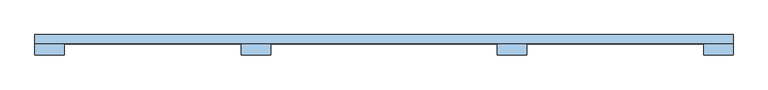
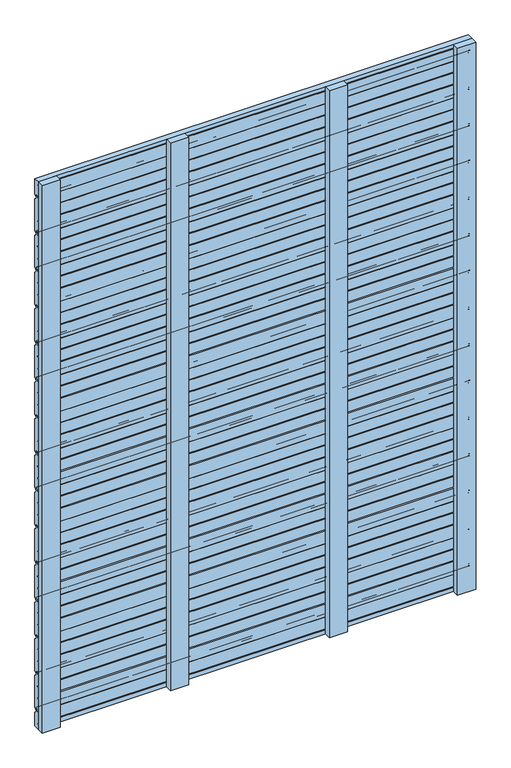
"""IFC4 building model written with IfcOpenShell, lengths in millimetres: window geometry."""

from ifc_helpers import new_model, si_unit, point, frame, frame_2d, origin, place, context, project, spatial, polyline, circle_curve, trimmed, segment, composite_curve, outline, extrude, source, transform, mapped, element, save


def window_6309e335(model_context):
    return source(origin(), model_context, "Body", "SweptSolid", [
        extrude(outline(composite_curve([segment(trimmed(circle_curve(frame_2d((129.5, 164.0)), 1.0), [point((130.5, 164.0))], [point((129.5, 163.0))], False, "CARTESIAN"), True, "CONTINUOUS"), segment(polyline([(129.5, 163.0), (124.0, 163.0), (124.0, 210.0), (130.5, 210.0), (130.5, 213.5), (124.5, 213.5), (124.5, 253.5), (130.5, 253.5), (130.5, 257.0), (124.0, 257.0), (124.0, 296.0), (130.5, 296.0), (130.5, 301.5)]), True, "CONTINUOUS"), segment(trimmed(circle_curve(frame_2d((132.0, 301.5)), 1.5), [point((130.5, 301.5))], [point((132.0, 303.0))], False, "CARTESIAN"), True, "CONTINUOUS"), segment(polyline([(132.0, 303.0), (135.5, 303.0)]), True, "CONTINUOUS"), segment(trimmed(circle_curve(frame_2d((135.5, 301.5)), 1.5), [point((135.5, 303.0))], [point((137.0, 301.5))], False, "CARTESIAN"), True, "CONTINUOUS"), segment(polyline([(137.0, 301.5), (137.0, 291.4142136)]), True, "CONTINUOUS"), segment(trimmed(circle_curve(frame_2d((138.0, 291.4142136)), 1.0), [point((137.0, 291.4142136))], [point((137.2928932, 290.7071068))], True, "CARTESIAN"), True, "CONTINUOUS"), segment(polyline([(137.2928932, 290.7071068), (143.5606602, 284.4393398)]), True, "CONTINUOUS"), segment(trimmed(circle_curve(frame_2d((142.5, 283.3786797)), 1.5), [point((143.5606602, 284.4393398))], [point((144.0, 283.3786797))], False, "CARTESIAN"), True, "CONTINUOUS"), segment(polyline([(144.0, 283.3786797), (144.0, 169.2071068)]), True, "CONTINUOUS"), segment(trimmed(circle_curve(frame_2d((142.5, 169.2071068)), 1.5), [point((144.0, 169.2071068))], [point((143.5606602, 168.1464466))], False, "CARTESIAN"), True, "CONTINUOUS"), segment(polyline([(143.5606602, 168.1464466), (138.7071068, 163.2928932)]), True, "CONTINUOUS"), segment(trimmed(circle_curve(frame_2d((138.0, 164.0)), 1.0), [point((138.7071068, 163.2928932))], [point((137.0, 164.0))], False, "CARTESIAN"), True, "CONTINUOUS"), segment(polyline([(137.0, 164.0), (137.0, 170.5)]), True, "CONTINUOUS"), segment(trimmed(circle_curve(frame_2d((135.5, 170.5)), 1.5), [point((137.0, 170.5))], [point((135.5, 172.0))], True, "CARTESIAN"), True, "CONTINUOUS"), segment(polyline([(135.5, 172.0), (132.0, 172.0)]), True, "CONTINUOUS"), segment(trimmed(circle_curve(frame_2d((132.0, 170.5)), 1.5), [point((132.0, 172.0))], [point((130.5, 170.5))], True, "CARTESIAN"), True, "CONTINUOUS"), segment(polyline([(130.5, 170.5), (130.5, 164.0)]), True, "CONTINUOUS")], self_intersect=False)), frame((-750.0, 0.0, 0.0), z_axis=(1.0, 0.0, 0.0), x_axis=(0.0, 1.0, 0.0)), (0.0, 0.0, 1.0), 1500.0),
        extrude(outline(composite_curve([segment(trimmed(circle_curve(frame_2d((129.5, 298.0)), 1.0), [point((130.5, 298.0))], [point((129.5, 297.0))], False, "CARTESIAN"), True, "CONTINUOUS"), segment(polyline([(129.5, 297.0), (124.0, 297.0), (124.0, 344.0), (130.5, 344.0), (130.5, 347.5), (124.5, 347.5), (124.5, 387.5), (130.5, 387.5), (130.5, 391.0), (124.0, 391.0), (124.0, 430.0), (130.5, 430.0), (130.5, 435.5)]), True, "CONTINUOUS"), segment(trimmed(circle_curve(frame_2d((132.0, 435.5)), 1.5), [point((130.5, 435.5))], [point((132.0, 437.0))], False, "CARTESIAN"), True, "CONTINUOUS"), segment(polyline([(132.0, 437.0), (135.5, 437.0)]), True, "CONTINUOUS"), segment(trimmed(circle_curve(frame_2d((135.5, 435.5)), 1.5), [point((135.5, 437.0))], [point((137.0, 435.5))], False, "CARTESIAN"), True, "CONTINUOUS"), segment(polyline([(137.0, 435.5), (137.0, 425.4142136)]), True, "CONTINUOUS"), segment(trimmed(circle_curve(frame_2d((138.0, 425.4142136)), 1.0), [point((137.0, 425.4142136))], [point((137.2928932, 424.7071068))], True, "CARTESIAN"), True, "CONTINUOUS"), segment(polyline([(137.2928932, 424.7071068), (143.5606602, 418.4393398)]), True, "CONTINUOUS"), segment(trimmed(circle_curve(frame_2d((142.5, 417.3786797)), 1.5), [point((143.5606602, 418.4393398))], [point((144.0, 417.3786797))], False, "CARTESIAN"), True, "CONTINUOUS"), segment(polyline([(144.0, 417.3786797), (144.0, 303.2071068)]), True, "CONTINUOUS"), segment(trimmed(circle_curve(frame_2d((142.5, 303.2071068)), 1.5), [point((144.0, 303.2071068))], [point((143.5606602, 302.1464466))], False, "CARTESIAN"), True, "CONTINUOUS"), segment(polyline([(143.5606602, 302.1464466), (138.7071068, 297.2928932)]), True, "CONTINUOUS"), segment(trimmed(circle_curve(frame_2d((138.0, 298.0)), 1.0), [point((138.7071068, 297.2928932))], [point((137.0, 298.0))], False, "CARTESIAN"), True, "CONTINUOUS"), segment(polyline([(137.0, 298.0), (137.0, 304.5)]), True, "CONTINUOUS"), segment(trimmed(circle_curve(frame_2d((135.5, 304.5)), 1.5), [point((137.0, 304.5))], [point((135.5, 306.0))], True, "CARTESIAN"), True, "CONTINUOUS"), segment(polyline([(135.5, 306.0), (132.0, 306.0)]), True, "CONTINUOUS"), segment(trimmed(circle_curve(frame_2d((132.0, 304.5)), 1.5), [point((132.0, 306.0))], [point((130.5, 304.5))], True, "CARTESIAN"), True, "CONTINUOUS"), segment(polyline([(130.5, 304.5), (130.5, 298.0)]), True, "CONTINUOUS")], self_intersect=False)), frame((-750.0, 0.0, 0.0), z_axis=(1.0, 0.0, 0.0), x_axis=(0.0, 1.0, 0.0)), (0.0, 0.0, 1.0), 1500.0),
        extrude(outline(composite_curve([segment(trimmed(circle_curve(frame_2d((129.5, 432.0)), 1.0), [point((130.5, 432.0))], [point((129.5, 431.0))], False, "CARTESIAN"), True, "CONTINUOUS"), segment(polyline([(129.5, 431.0), (124.0, 431.0), (124.0, 478.0), (130.5, 478.0), (130.5, 481.5), (124.5, 481.5), (124.5, 521.5), (130.5, 521.5), (130.5, 525.0), (124.0, 525.0), (124.0, 564.0), (130.5, 564.0), (130.5, 569.5)]), True, "CONTINUOUS"), segment(trimmed(circle_curve(frame_2d((132.0, 569.5)), 1.5), [point((130.5, 569.5))], [point((132.0, 571.0))], False, "CARTESIAN"), True, "CONTINUOUS"), segment(polyline([(132.0, 571.0), (135.5, 571.0)]), True, "CONTINUOUS"), segment(trimmed(circle_curve(frame_2d((135.5, 569.5)), 1.5), [point((135.5, 571.0))], [point((137.0, 569.5))], False, "CARTESIAN"), True, "CONTINUOUS"), segment(polyline([(137.0, 569.5), (137.0, 559.4142136)]), True, "CONTINUOUS"), segment(trimmed(circle_curve(frame_2d((138.0, 559.4142136)), 1.0), [point((137.0, 559.4142136))], [point((137.2928932, 558.7071068))], True, "CARTESIAN"), True, "CONTINUOUS"), segment(polyline([(137.2928932, 558.7071068), (143.5606602, 552.4393398)]), True, "CONTINUOUS"), segment(trimmed(circle_curve(frame_2d((142.5, 551.3786797)), 1.5), [point((143.5606602, 552.4393398))], [point((144.0, 551.3786797))], False, "CARTESIAN"), True, "CONTINUOUS"), segment(polyline([(144.0, 551.3786797), (144.0, 437.2071068)]), True, "CONTINUOUS"), segment(trimmed(circle_curve(frame_2d((142.5, 437.2071068)), 1.5), [point((144.0, 437.2071068))], [point((143.5606602, 436.1464466))], False, "CARTESIAN"), True, "CONTINUOUS"), segment(polyline([(143.5606602, 436.1464466), (138.7071068, 431.2928932)]), True, "CONTINUOUS"), segment(trimmed(circle_curve(frame_2d((138.0, 432.0)), 1.0), [point((138.7071068, 431.2928932))], [point((137.0, 432.0))], False, "CARTESIAN"), True, "CONTINUOUS"), segment(polyline([(137.0, 432.0), (137.0, 438.5)]), True, "CONTINUOUS"), segment(trimmed(circle_curve(frame_2d((135.5, 438.5)), 1.5), [point((137.0, 438.5))], [point((135.5, 440.0))], True, "CARTESIAN"), True, "CONTINUOUS"), segment(polyline([(135.5, 440.0), (132.0, 440.0)]), True, "CONTINUOUS"), segment(trimmed(circle_curve(frame_2d((132.0, 438.5)), 1.5), [point((132.0, 440.0))], [point((130.5, 438.5))], True, "CARTESIAN"), True, "CONTINUOUS"), segment(polyline([(130.5, 438.5), (130.5, 432.0)]), True, "CONTINUOUS")], self_intersect=False)), frame((-750.0, 0.0, 0.0), z_axis=(1.0, 0.0, 0.0), x_axis=(0.0, 1.0, 0.0)), (0.0, 0.0, 1.0), 1500.0),
        extrude(outline(composite_curve([segment(trimmed(circle_curve(frame_2d((129.5, 566.0)), 1.0), [point((130.5, 566.0))], [point((129.5, 565.0))], False, "CARTESIAN"), True, "CONTINUOUS"), segment(polyline([(129.5, 565.0), (124.0, 565.0), (124.0, 612.0), (130.5, 612.0), (130.5, 615.5), (124.5, 615.5), (124.5, 655.5), (130.5, 655.5), (130.5, 659.0), (124.0, 659.0), (124.0, 698.0), (130.5, 698.0), (130.5, 703.5)]), True, "CONTINUOUS"), segment(trimmed(circle_curve(frame_2d((132.0, 703.5)), 1.5), [point((130.5, 703.5))], [point((132.0, 705.0))], False, "CARTESIAN"), True, "CONTINUOUS"), segment(polyline([(132.0, 705.0), (135.5, 705.0)]), True, "CONTINUOUS"), segment(trimmed(circle_curve(frame_2d((135.5, 703.5)), 1.5), [point((135.5, 705.0))], [point((137.0, 703.5))], False, "CARTESIAN"), True, "CONTINUOUS"), segment(polyline([(137.0, 703.5), (137.0, 693.4142136)]), True, "CONTINUOUS"), segment(trimmed(circle_curve(frame_2d((138.0, 693.4142136)), 1.0), [point((137.0, 693.4142136))], [point((137.2928932, 692.7071068))], True, "CARTESIAN"), True, "CONTINUOUS"), segment(polyline([(137.2928932, 692.7071068), (143.5606602, 686.4393398)]), True, "CONTINUOUS"), segment(trimmed(circle_curve(frame_2d((142.5, 685.3786797)), 1.5), [point((143.5606602, 686.4393398))], [point((144.0, 685.3786797))], False, "CARTESIAN"), True, "CONTINUOUS"), segment(polyline([(144.0, 685.3786797), (144.0, 571.2071068)]), True, "CONTINUOUS"), segment(trimmed(circle_curve(frame_2d((142.5, 571.2071068)), 1.5), [point((144.0, 571.2071068))], [point((143.5606602, 570.1464466))], False, "CARTESIAN"), True, "CONTINUOUS"), segment(polyline([(143.5606602, 570.1464466), (138.7071068, 565.2928932)]), True, "CONTINUOUS"), segment(trimmed(circle_curve(frame_2d((138.0, 566.0)), 1.0), [point((138.7071068, 565.2928932))], [point((137.0, 566.0))], False, "CARTESIAN"), True, "CONTINUOUS"), segment(polyline([(137.0, 566.0), (137.0, 572.5)]), True, "CONTINUOUS"), segment(trimmed(circle_curve(frame_2d((135.5, 572.5)), 1.5), [point((137.0, 572.5))], [point((135.5, 574.0))], True, "CARTESIAN"), True, "CONTINUOUS"), segment(polyline([(135.5, 574.0), (132.0, 574.0)]), True, "CONTINUOUS"), segment(trimmed(circle_curve(frame_2d((132.0, 572.5)), 1.5), [point((132.0, 574.0))], [point((130.5, 572.5))], True, "CARTESIAN"), True, "CONTINUOUS"), segment(polyline([(130.5, 572.5), (130.5, 566.0)]), True, "CONTINUOUS")], self_intersect=False)), frame((-750.0, 0.0, 0.0), z_axis=(1.0, 0.0, 0.0), x_axis=(0.0, 1.0, 0.0)), (0.0, 0.0, 1.0), 1500.0),
        extrude(outline(composite_curve([segment(trimmed(circle_curve(frame_2d((129.5, 700.0)), 1.0), [point((130.5, 700.0))], [point((129.5, 699.0))], False, "CARTESIAN"), True, "CONTINUOUS"), segment(polyline([(129.5, 699.0), (124.0, 699.0), (124.0, 746.0), (130.5, 746.0), (130.5, 749.5), (124.5, 749.5), (124.5, 789.5), (130.5, 789.5), (130.5, 793.0), (124.0, 793.0), (124.0, 832.0), (130.5, 832.0), (130.5, 837.5)]), True, "CONTINUOUS"), segment(trimmed(circle_curve(frame_2d((132.0, 837.5)), 1.5), [point((130.5, 837.5))], [point((132.0, 839.0))], False, "CARTESIAN"), True, "CONTINUOUS"), segment(polyline([(132.0, 839.0), (135.5, 839.0)]), True, "CONTINUOUS"), segment(trimmed(circle_curve(frame_2d((135.5, 837.5)), 1.5), [point((135.5, 839.0))], [point((137.0, 837.5))], False, "CARTESIAN"), True, "CONTINUOUS"), segment(polyline([(137.0, 837.5), (137.0, 827.4142136)]), True, "CONTINUOUS"), segment(trimmed(circle_curve(frame_2d((138.0, 827.4142136)), 1.0), [point((137.0, 827.4142136))], [point((137.2928932, 826.7071068))], True, "CARTESIAN"), True, "CONTINUOUS"), segment(polyline([(137.2928932, 826.7071068), (143.5606602, 820.4393398)]), True, "CONTINUOUS"), segment(trimmed(circle_curve(frame_2d((142.5, 819.3786797)), 1.5), [point((143.5606602, 820.4393398))], [point((144.0, 819.3786797))], False, "CARTESIAN"), True, "CONTINUOUS"), segment(polyline([(144.0, 819.3786797), (144.0, 705.2071068)]), True, "CONTINUOUS"), segment(trimmed(circle_curve(frame_2d((142.5, 705.2071068)), 1.5), [point((144.0, 705.2071068))], [point((143.5606602, 704.1464466))], False, "CARTESIAN"), True, "CONTINUOUS"), segment(polyline([(143.5606602, 704.1464466), (138.7071068, 699.2928932)]), True, "CONTINUOUS"), segment(trimmed(circle_curve(frame_2d((138.0, 700.0)), 1.0), [point((138.7071068, 699.2928932))], [point((137.0, 700.0))], False, "CARTESIAN"), True, "CONTINUOUS"), segment(polyline([(137.0, 700.0), (137.0, 706.5)]), True, "CONTINUOUS"), segment(trimmed(circle_curve(frame_2d((135.5, 706.5)), 1.5), [point((137.0, 706.5))], [point((135.5, 708.0))], True, "CARTESIAN"), True, "CONTINUOUS"), segment(polyline([(135.5, 708.0), (132.0, 708.0)]), True, "CONTINUOUS"), segment(trimmed(circle_curve(frame_2d((132.0, 706.5)), 1.5), [point((132.0, 708.0))], [point((130.5, 706.5))], True, "CARTESIAN"), True, "CONTINUOUS"), segment(polyline([(130.5, 706.5), (130.5, 700.0)]), True, "CONTINUOUS")], self_intersect=False)), frame((-750.0, 0.0, 0.0), z_axis=(1.0, 0.0, 0.0), x_axis=(0.0, 1.0, 0.0)), (0.0, 0.0, 1.0), 1500.0),
        extrude(outline(composite_curve([segment(trimmed(circle_curve(frame_2d((129.5, 834.0)), 1.0), [point((130.5, 834.0))], [point((129.5, 833.0))], False, "CARTESIAN"), True, "CONTINUOUS"), segment(polyline([(129.5, 833.0), (124.0, 833.0), (124.0, 880.0), (130.5, 880.0), (130.5, 883.5), (124.5, 883.5), (124.5, 923.5), (130.5, 923.5), (130.5, 927.0), (124.0, 927.0), (124.0, 966.0), (130.5, 966.0), (130.5, 971.5)]), True, "CONTINUOUS"), segment(trimmed(circle_curve(frame_2d((132.0, 971.5)), 1.5), [point((130.5, 971.5))], [point((132.0, 973.0))], False, "CARTESIAN"), True, "CONTINUOUS"), segment(polyline([(132.0, 973.0), (135.5, 973.0)]), True, "CONTINUOUS"), segment(trimmed(circle_curve(frame_2d((135.5, 971.5)), 1.5), [point((135.5, 973.0))], [point((137.0, 971.5))], False, "CARTESIAN"), True, "CONTINUOUS"), segment(polyline([(137.0, 971.5), (137.0, 961.4142136)]), True, "CONTINUOUS"), segment(trimmed(circle_curve(frame_2d((138.0, 961.4142136)), 1.0), [point((137.0, 961.4142136))], [point((137.2928932, 960.7071068))], True, "CARTESIAN"), True, "CONTINUOUS"), segment(polyline([(137.2928932, 960.7071068), (143.5606602, 954.4393398)]), True, "CONTINUOUS"), segment(trimmed(circle_curve(frame_2d((142.5, 953.3786797)), 1.5), [point((143.5606602, 954.4393398))], [point((144.0, 953.3786797))], False, "CARTESIAN"), True, "CONTINUOUS"), segment(polyline([(144.0, 953.3786797), (144.0, 839.2071068)]), True, "CONTINUOUS"), segment(trimmed(circle_curve(frame_2d((142.5, 839.2071068)), 1.5), [point((144.0, 839.2071068))], [point((143.5606602, 838.1464466))], False, "CARTESIAN"), True, "CONTINUOUS"), segment(polyline([(143.5606602, 838.1464466), (138.7071068, 833.2928932)]), True, "CONTINUOUS"), segment(trimmed(circle_curve(frame_2d((138.0, 834.0)), 1.0), [point((138.7071068, 833.2928932))], [point((137.0, 834.0))], False, "CARTESIAN"), True, "CONTINUOUS"), segment(polyline([(137.0, 834.0), (137.0, 840.5)]), True, "CONTINUOUS"), segment(trimmed(circle_curve(frame_2d((135.5, 840.5)), 1.5), [point((137.0, 840.5))], [point((135.5, 842.0))], True, "CARTESIAN"), True, "CONTINUOUS"), segment(polyline([(135.5, 842.0), (132.0, 842.0)]), True, "CONTINUOUS"), segment(trimmed(circle_curve(frame_2d((132.0, 840.5)), 1.5), [point((132.0, 842.0))], [point((130.5, 840.5))], True, "CARTESIAN"), True, "CONTINUOUS"), segment(polyline([(130.5, 840.5), (130.5, 834.0)]), True, "CONTINUOUS")], self_intersect=False)), frame((-750.0, 0.0, 0.0), z_axis=(1.0, 0.0, 0.0), x_axis=(0.0, 1.0, 0.0)), (0.0, 0.0, 1.0), 1500.0),
        extrude(outline(composite_curve([segment(trimmed(circle_curve(frame_2d((129.5, 968.0)), 1.0), [point((130.5, 968.0))], [point((129.5, 967.0))], False, "CARTESIAN"), True, "CONTINUOUS"), segment(polyline([(129.5, 967.0), (124.0, 967.0), (124.0, 1014.0), (130.5, 1014.0), (130.5, 1017.5), (124.5, 1017.5), (124.5, 1057.5), (130.5, 1057.5), (130.5, 1061.0), (124.0, 1061.0), (124.0, 1100.0), (130.5, 1100.0), (130.5, 1105.5)]), True, "CONTINUOUS"), segment(trimmed(circle_curve(frame_2d((132.0, 1105.5)), 1.5), [point((130.5, 1105.5))], [point((132.0, 1107.0))], False, "CARTESIAN"), True, "CONTINUOUS"), segment(polyline([(132.0, 1107.0), (135.5, 1107.0)]), True, "CONTINUOUS"), segment(trimmed(circle_curve(frame_2d((135.5, 1105.5)), 1.5), [point((135.5, 1107.0))], [point((137.0, 1105.5))], False, "CARTESIAN"), True, "CONTINUOUS"), segment(polyline([(137.0, 1105.5), (137.0, 1095.4142136)]), True, "CONTINUOUS"), segment(trimmed(circle_curve(frame_2d((138.0, 1095.4142136)), 1.0), [point((137.0, 1095.4142136))], [point((137.2928932, 1094.7071068))], True, "CARTESIAN"), True, "CONTINUOUS"), segment(polyline([(137.2928932, 1094.7071068), (143.5606602, 1088.4393398)]), True, "CONTINUOUS"), segment(trimmed(circle_curve(frame_2d((142.5, 1087.3786797)), 1.5), [point((143.5606602, 1088.4393398))], [point((144.0, 1087.3786797))], False, "CARTESIAN"), True, "CONTINUOUS"), segment(polyline([(144.0, 1087.3786797), (144.0, 973.2071068)]), True, "CONTINUOUS"), segment(trimmed(circle_curve(frame_2d((142.5, 973.2071068)), 1.5), [point((144.0, 973.2071068))], [point((143.5606602, 972.1464466))], False, "CARTESIAN"), True, "CONTINUOUS"), segment(polyline([(143.5606602, 972.1464466), (138.7071068, 967.2928932)]), True, "CONTINUOUS"), segment(trimmed(circle_curve(frame_2d((138.0, 968.0)), 1.0), [point((138.7071068, 967.2928932))], [point((137.0, 968.0))], False, "CARTESIAN"), True, "CONTINUOUS"), segment(polyline([(137.0, 968.0), (137.0, 974.5)]), True, "CONTINUOUS"), segment(trimmed(circle_curve(frame_2d((135.5, 974.5)), 1.5), [point((137.0, 974.5))], [point((135.5, 976.0))], True, "CARTESIAN"), True, "CONTINUOUS"), segment(polyline([(135.5, 976.0), (132.0, 976.0)]), True, "CONTINUOUS"), segment(trimmed(circle_curve(frame_2d((132.0, 974.5)), 1.5), [point((132.0, 976.0))], [point((130.5, 974.5))], True, "CARTESIAN"), True, "CONTINUOUS"), segment(polyline([(130.5, 974.5), (130.5, 968.0)]), True, "CONTINUOUS")], self_intersect=False)), frame((-750.0, 0.0, 0.0), z_axis=(1.0, 0.0, 0.0), x_axis=(0.0, 1.0, 0.0)), (0.0, 0.0, 1.0), 1500.0),
        extrude(outline(composite_curve([segment(trimmed(circle_curve(frame_2d((129.5, 1102.0)), 1.0), [point((130.5, 1102.0))], [point((129.5, 1101.0))], False, "CARTESIAN"), True, "CONTINUOUS"), segment(polyline([(129.5, 1101.0), (124.0, 1101.0), (124.0, 1148.0), (130.5, 1148.0), (130.5, 1151.5), (124.5, 1151.5), (124.5, 1191.5), (130.5, 1191.5), (130.5, 1195.0), (124.0, 1195.0), (124.0, 1234.0), (130.5, 1234.0), (130.5, 1239.5)]), True, "CONTINUOUS"), segment(trimmed(circle_curve(frame_2d((132.0, 1239.5)), 1.5), [point((130.5, 1239.5))], [point((132.0, 1241.0))], False, "CARTESIAN"), True, "CONTINUOUS"), segment(polyline([(132.0, 1241.0), (135.5, 1241.0)]), True, "CONTINUOUS"), segment(trimmed(circle_curve(frame_2d((135.5, 1239.5)), 1.5), [point((135.5, 1241.0))], [point((137.0, 1239.5))], False, "CARTESIAN"), True, "CONTINUOUS"), segment(polyline([(137.0, 1239.5), (137.0, 1229.4142136)]), True, "CONTINUOUS"), segment(trimmed(circle_curve(frame_2d((138.0, 1229.4142136)), 1.0), [point((137.0, 1229.4142136))], [point((137.2928932, 1228.7071068))], True, "CARTESIAN"), True, "CONTINUOUS"), segment(polyline([(137.2928932, 1228.7071068), (143.5606602, 1222.4393398)]), True, "CONTINUOUS"), segment(trimmed(circle_curve(frame_2d((142.5, 1221.3786797)), 1.5), [point((143.5606602, 1222.4393398))], [point((144.0, 1221.3786797))], False, "CARTESIAN"), True, "CONTINUOUS"), segment(polyline([(144.0, 1221.3786797), (144.0, 1107.2071068)]), True, "CONTINUOUS"), segment(trimmed(circle_curve(frame_2d((142.5, 1107.2071068)), 1.5), [point((144.0, 1107.2071068))], [point((143.5606602, 1106.1464466))], False, "CARTESIAN"), True, "CONTINUOUS"), segment(polyline([(143.5606602, 1106.1464466), (138.7071068, 1101.2928932)]), True, "CONTINUOUS"), segment(trimmed(circle_curve(frame_2d((138.0, 1102.0)), 1.0), [point((138.7071068, 1101.2928932))], [point((137.0, 1102.0))], False, "CARTESIAN"), True, "CONTINUOUS"), segment(polyline([(137.0, 1102.0), (137.0, 1108.5)]), True, "CONTINUOUS"), segment(trimmed(circle_curve(frame_2d((135.5, 1108.5)), 1.5), [point((137.0, 1108.5))], [point((135.5, 1110.0))], True, "CARTESIAN"), True, "CONTINUOUS"), segment(polyline([(135.5, 1110.0), (132.0, 1110.0)]), True, "CONTINUOUS"), segment(trimmed(circle_curve(frame_2d((132.0, 1108.5)), 1.5), [point((132.0, 1110.0))], [point((130.5, 1108.5))], True, "CARTESIAN"), True, "CONTINUOUS"), segment(polyline([(130.5, 1108.5), (130.5, 1102.0)]), True, "CONTINUOUS")], self_intersect=False)), frame((-750.0, 0.0, 0.0), z_axis=(1.0, 0.0, 0.0), x_axis=(0.0, 1.0, 0.0)), (0.0, 0.0, 1.0), 1500.0),
        extrude(outline(composite_curve([segment(trimmed(circle_curve(frame_2d((129.5, 1236.0)), 1.0), [point((130.5, 1236.0))], [point((129.5, 1235.0))], False, "CARTESIAN"), True, "CONTINUOUS"), segment(polyline([(129.5, 1235.0), (124.0, 1235.0), (124.0, 1282.0), (130.5, 1282.0), (130.5, 1285.5), (124.5, 1285.5), (124.5, 1325.5), (130.5, 1325.5), (130.5, 1329.0), (124.0, 1329.0), (124.0, 1368.0), (130.5, 1368.0), (130.5, 1373.5)]), True, "CONTINUOUS"), segment(trimmed(circle_curve(frame_2d((132.0, 1373.5)), 1.5), [point((130.5, 1373.5))], [point((132.0, 1375.0))], False, "CARTESIAN"), True, "CONTINUOUS"), segment(polyline([(132.0, 1375.0), (135.5, 1375.0)]), True, "CONTINUOUS"), segment(trimmed(circle_curve(frame_2d((135.5, 1373.5)), 1.5), [point((135.5, 1375.0))], [point((137.0, 1373.5))], False, "CARTESIAN"), True, "CONTINUOUS"), segment(polyline([(137.0, 1373.5), (137.0, 1363.4142136)]), True, "CONTINUOUS"), segment(trimmed(circle_curve(frame_2d((138.0, 1363.4142136)), 1.0), [point((137.0, 1363.4142136))], [point((137.2928932, 1362.7071068))], True, "CARTESIAN"), True, "CONTINUOUS"), segment(polyline([(137.2928932, 1362.7071068), (143.5606602, 1356.4393398)]), True, "CONTINUOUS"), segment(trimmed(circle_curve(frame_2d((142.5, 1355.3786797)), 1.5), [point((143.5606602, 1356.4393398))], [point((144.0, 1355.3786797))], False, "CARTESIAN"), True, "CONTINUOUS"), segment(polyline([(144.0, 1355.3786797), (144.0, 1241.2071068)]), True, "CONTINUOUS"), segment(trimmed(circle_curve(frame_2d((142.5, 1241.2071068)), 1.5), [point((144.0, 1241.2071068))], [point((143.5606602, 1240.1464466))], False, "CARTESIAN"), True, "CONTINUOUS"), segment(polyline([(143.5606602, 1240.1464466), (138.7071068, 1235.2928932)]), True, "CONTINUOUS"), segment(trimmed(circle_curve(frame_2d((138.0, 1236.0)), 1.0), [point((138.7071068, 1235.2928932))], [point((137.0, 1236.0))], False, "CARTESIAN"), True, "CONTINUOUS"), segment(polyline([(137.0, 1236.0), (137.0, 1242.5)]), True, "CONTINUOUS"), segment(trimmed(circle_curve(frame_2d((135.5, 1242.5)), 1.5), [point((137.0, 1242.5))], [point((135.5, 1244.0))], True, "CARTESIAN"), True, "CONTINUOUS"), segment(polyline([(135.5, 1244.0), (132.0, 1244.0)]), True, "CONTINUOUS"), segment(trimmed(circle_curve(frame_2d((132.0, 1242.5)), 1.5), [point((132.0, 1244.0))], [point((130.5, 1242.5))], True, "CARTESIAN"), True, "CONTINUOUS"), segment(polyline([(130.5, 1242.5), (130.5, 1236.0)]), True, "CONTINUOUS")], self_intersect=False)), frame((-750.0, 0.0, 0.0), z_axis=(1.0, 0.0, 0.0), x_axis=(0.0, 1.0, 0.0)), (0.0, 0.0, 1.0), 1500.0),
        extrude(outline(composite_curve([segment(trimmed(circle_curve(frame_2d((129.5, 1370.0)), 1.0), [point((130.5, 1370.0))], [point((129.5, 1369.0))], False, "CARTESIAN"), True, "CONTINUOUS"), segment(polyline([(129.5, 1369.0), (124.0, 1369.0), (124.0, 1416.0), (130.5, 1416.0), (130.5, 1419.5), (124.5, 1419.5), (124.5, 1459.5), (130.5, 1459.5), (130.5, 1463.0), (124.0, 1463.0), (124.0, 1502.0), (130.5, 1502.0), (130.5, 1507.5)]), True, "CONTINUOUS"), segment(trimmed(circle_curve(frame_2d((132.0, 1507.5)), 1.5), [point((130.5, 1507.5))], [point((132.0, 1509.0))], False, "CARTESIAN"), True, "CONTINUOUS"), segment(polyline([(132.0, 1509.0), (135.5, 1509.0)]), True, "CONTINUOUS"), segment(trimmed(circle_curve(frame_2d((135.5, 1507.5)), 1.5), [point((135.5, 1509.0))], [point((137.0, 1507.5))], False, "CARTESIAN"), True, "CONTINUOUS"), segment(polyline([(137.0, 1507.5), (137.0, 1497.4142136)]), True, "CONTINUOUS"), segment(trimmed(circle_curve(frame_2d((138.0, 1497.4142136)), 1.0), [point((137.0, 1497.4142136))], [point((137.2928932, 1496.7071068))], True, "CARTESIAN"), True, "CONTINUOUS"), segment(polyline([(137.2928932, 1496.7071068), (143.5606602, 1490.4393398)]), True, "CONTINUOUS"), segment(trimmed(circle_curve(frame_2d((142.5, 1489.3786797)), 1.5), [point((143.5606602, 1490.4393398))], [point((144.0, 1489.3786797))], False, "CARTESIAN"), True, "CONTINUOUS"), segment(polyline([(144.0, 1489.3786797), (144.0, 1375.2071068)]), True, "CONTINUOUS"), segment(trimmed(circle_curve(frame_2d((142.5, 1375.2071068)), 1.5), [point((144.0, 1375.2071068))], [point((143.5606602, 1374.1464466))], False, "CARTESIAN"), True, "CONTINUOUS"), segment(polyline([(143.5606602, 1374.1464466), (138.7071068, 1369.2928932)]), True, "CONTINUOUS"), segment(trimmed(circle_curve(frame_2d((138.0, 1370.0)), 1.0), [point((138.7071068, 1369.2928932))], [point((137.0, 1370.0))], False, "CARTESIAN"), True, "CONTINUOUS"), segment(polyline([(137.0, 1370.0), (137.0, 1376.5)]), True, "CONTINUOUS"), segment(trimmed(circle_curve(frame_2d((135.5, 1376.5)), 1.5), [point((137.0, 1376.5))], [point((135.5, 1378.0))], True, "CARTESIAN"), True, "CONTINUOUS"), segment(polyline([(135.5, 1378.0), (132.0, 1378.0)]), True, "CONTINUOUS"), segment(trimmed(circle_curve(frame_2d((132.0, 1376.5)), 1.5), [point((132.0, 1378.0))], [point((130.5, 1376.5))], True, "CARTESIAN"), True, "CONTINUOUS"), segment(polyline([(130.5, 1376.5), (130.5, 1370.0)]), True, "CONTINUOUS")], self_intersect=False)), frame((-750.0, 0.0, 0.0), z_axis=(1.0, 0.0, 0.0), x_axis=(0.0, 1.0, 0.0)), (0.0, 0.0, 1.0), 1500.0),
        extrude(outline(composite_curve([segment(trimmed(circle_curve(frame_2d((129.5, 1504.0)), 1.0), [point((130.5, 1504.0))], [point((129.5, 1503.0))], False, "CARTESIAN"), True, "CONTINUOUS"), segment(polyline([(129.5, 1503.0), (124.0, 1503.0), (124.0, 1550.0), (130.5, 1550.0), (130.5, 1553.5), (124.5, 1553.5), (124.5, 1593.5), (130.5, 1593.5), (130.5, 1597.0), (124.0, 1597.0), (124.0, 1636.0), (130.5, 1636.0), (130.5, 1641.5)]), True, "CONTINUOUS"), segment(trimmed(circle_curve(frame_2d((132.0, 1641.5)), 1.5), [point((130.5, 1641.5))], [point((132.0, 1643.0))], False, "CARTESIAN"), True, "CONTINUOUS"), segment(polyline([(132.0, 1643.0), (135.5, 1643.0)]), True, "CONTINUOUS"), segment(trimmed(circle_curve(frame_2d((135.5, 1641.5)), 1.5), [point((135.5, 1643.0))], [point((137.0, 1641.5))], False, "CARTESIAN"), True, "CONTINUOUS"), segment(polyline([(137.0, 1641.5), (137.0, 1631.4142136)]), True, "CONTINUOUS"), segment(trimmed(circle_curve(frame_2d((138.0, 1631.4142136)), 1.0), [point((137.0, 1631.4142136))], [point((137.2928932, 1630.7071068))], True, "CARTESIAN"), True, "CONTINUOUS"), segment(polyline([(137.2928932, 1630.7071068), (143.5606602, 1624.4393398)]), True, "CONTINUOUS"), segment(trimmed(circle_curve(frame_2d((142.5, 1623.3786797)), 1.5), [point((143.5606602, 1624.4393398))], [point((144.0, 1623.3786797))], False, "CARTESIAN"), True, "CONTINUOUS"), segment(polyline([(144.0, 1623.3786797), (144.0, 1509.2071068)]), True, "CONTINUOUS"), segment(trimmed(circle_curve(frame_2d((142.5, 1509.2071068)), 1.5), [point((144.0, 1509.2071068))], [point((143.5606602, 1508.1464466))], False, "CARTESIAN"), True, "CONTINUOUS"), segment(polyline([(143.5606602, 1508.1464466), (138.7071068, 1503.2928932)]), True, "CONTINUOUS"), segment(trimmed(circle_curve(frame_2d((138.0, 1504.0)), 1.0), [point((138.7071068, 1503.2928932))], [point((137.0, 1504.0))], False, "CARTESIAN"), True, "CONTINUOUS"), segment(polyline([(137.0, 1504.0), (137.0, 1510.5)]), True, "CONTINUOUS"), segment(trimmed(circle_curve(frame_2d((135.5, 1510.5)), 1.5), [point((137.0, 1510.5))], [point((135.5, 1512.0))], True, "CARTESIAN"), True, "CONTINUOUS"), segment(polyline([(135.5, 1512.0), (132.0, 1512.0)]), True, "CONTINUOUS"), segment(trimmed(circle_curve(frame_2d((132.0, 1510.5)), 1.5), [point((132.0, 1512.0))], [point((130.5, 1510.5))], True, "CARTESIAN"), True, "CONTINUOUS"), segment(polyline([(130.5, 1510.5), (130.5, 1504.0)]), True, "CONTINUOUS")], self_intersect=False)), frame((-750.0, 0.0, 0.0), z_axis=(1.0, 0.0, 0.0), x_axis=(0.0, 1.0, 0.0)), (0.0, 0.0, 1.0), 1500.0),
        extrude(outline(composite_curve([segment(trimmed(circle_curve(frame_2d((129.5, 1638.0)), 1.0), [point((130.5, 1638.0))], [point((129.5, 1637.0))], False, "CARTESIAN"), True, "CONTINUOUS"), segment(polyline([(129.5, 1637.0), (124.0, 1637.0), (124.0, 1684.0), (130.5, 1684.0), (130.5, 1687.5), (124.5, 1687.5), (124.5, 1727.5), (130.5, 1727.5), (130.5, 1731.0), (124.0, 1731.0), (124.0, 1770.0), (130.5, 1770.0), (130.5, 1775.5)]), True, "CONTINUOUS"), segment(trimmed(circle_curve(frame_2d((132.0, 1775.5)), 1.5), [point((130.5, 1775.5))], [point((132.0, 1777.0))], False, "CARTESIAN"), True, "CONTINUOUS"), segment(polyline([(132.0, 1777.0), (135.5, 1777.0)]), True, "CONTINUOUS"), segment(trimmed(circle_curve(frame_2d((135.5, 1775.5)), 1.5), [point((135.5, 1777.0))], [point((137.0, 1775.5))], False, "CARTESIAN"), True, "CONTINUOUS"), segment(polyline([(137.0, 1775.5), (137.0, 1765.4142136)]), True, "CONTINUOUS"), segment(trimmed(circle_curve(frame_2d((138.0, 1765.4142136)), 1.0), [point((137.0, 1765.4142136))], [point((137.2928932, 1764.7071068))], True, "CARTESIAN"), True, "CONTINUOUS"), segment(polyline([(137.2928932, 1764.7071068), (143.5606602, 1758.4393398)]), True, "CONTINUOUS"), segment(trimmed(circle_curve(frame_2d((142.5, 1757.3786797)), 1.5), [point((143.5606602, 1758.4393398))], [point((144.0, 1757.3786797))], False, "CARTESIAN"), True, "CONTINUOUS"), segment(polyline([(144.0, 1757.3786797), (144.0, 1643.2071068)]), True, "CONTINUOUS"), segment(trimmed(circle_curve(frame_2d((142.5, 1643.2071068)), 1.5), [point((144.0, 1643.2071068))], [point((143.5606602, 1642.1464466))], False, "CARTESIAN"), True, "CONTINUOUS"), segment(polyline([(143.5606602, 1642.1464466), (138.7071068, 1637.2928932)]), True, "CONTINUOUS"), segment(trimmed(circle_curve(frame_2d((138.0, 1638.0)), 1.0), [point((138.7071068, 1637.2928932))], [point((137.0, 1638.0))], False, "CARTESIAN"), True, "CONTINUOUS"), segment(polyline([(137.0, 1638.0), (137.0, 1644.5)]), True, "CONTINUOUS"), segment(trimmed(circle_curve(frame_2d((135.5, 1644.5)), 1.5), [point((137.0, 1644.5))], [point((135.5, 1646.0))], True, "CARTESIAN"), True, "CONTINUOUS"), segment(polyline([(135.5, 1646.0), (132.0, 1646.0)]), True, "CONTINUOUS"), segment(trimmed(circle_curve(frame_2d((132.0, 1644.5)), 1.5), [point((132.0, 1646.0))], [point((130.5, 1644.5))], True, "CARTESIAN"), True, "CONTINUOUS"), segment(polyline([(130.5, 1644.5), (130.5, 1638.0)]), True, "CONTINUOUS")], self_intersect=False)), frame((-750.0, 0.0, 0.0), z_axis=(1.0, 0.0, 0.0), x_axis=(0.0, 1.0, 0.0)), (0.0, 0.0, 1.0), 1500.0),
        extrude(outline(composite_curve([segment(trimmed(circle_curve(frame_2d((129.5, 1772.0)), 1.0), [point((130.5, 1772.0))], [point((129.5, 1771.0))], False, "CARTESIAN"), True, "CONTINUOUS"), segment(polyline([(129.5, 1771.0), (124.0, 1771.0), (124.0, 1818.0), (130.5, 1818.0), (130.5, 1821.5), (124.5, 1821.5), (124.5, 1861.5), (130.5, 1861.5), (130.5, 1865.0), (124.0, 1865.0), (124.0, 1904.0), (130.5, 1904.0), (130.5, 1909.5)]), True, "CONTINUOUS"), segment(trimmed(circle_curve(frame_2d((132.0, 1909.5)), 1.5), [point((130.5, 1909.5))], [point((132.0, 1911.0))], False, "CARTESIAN"), True, "CONTINUOUS"), segment(polyline([(132.0, 1911.0), (135.5, 1911.0)]), True, "CONTINUOUS"), segment(trimmed(circle_curve(frame_2d((135.5, 1909.5)), 1.5), [point((135.5, 1911.0))], [point((137.0, 1909.5))], False, "CARTESIAN"), True, "CONTINUOUS"), segment(polyline([(137.0, 1909.5), (137.0, 1899.4142136)]), True, "CONTINUOUS"), segment(trimmed(circle_curve(frame_2d((138.0, 1899.4142136)), 1.0), [point((137.0, 1899.4142136))], [point((137.2928932, 1898.7071068))], True, "CARTESIAN"), True, "CONTINUOUS"), segment(polyline([(137.2928932, 1898.7071068), (143.5606602, 1892.4393398)]), True, "CONTINUOUS"), segment(trimmed(circle_curve(frame_2d((142.5, 1891.3786797)), 1.5), [point((143.5606602, 1892.4393398))], [point((144.0, 1891.3786797))], False, "CARTESIAN"), True, "CONTINUOUS"), segment(polyline([(144.0, 1891.3786797), (144.0, 1777.2071068)]), True, "CONTINUOUS"), segment(trimmed(circle_curve(frame_2d((142.5, 1777.2071068)), 1.5), [point((144.0, 1777.2071068))], [point((143.5606602, 1776.1464466))], False, "CARTESIAN"), True, "CONTINUOUS"), segment(polyline([(143.5606602, 1776.1464466), (138.7071068, 1771.2928932)]), True, "CONTINUOUS"), segment(trimmed(circle_curve(frame_2d((138.0, 1772.0)), 1.0), [point((138.7071068, 1771.2928932))], [point((137.0, 1772.0))], False, "CARTESIAN"), True, "CONTINUOUS"), segment(polyline([(137.0, 1772.0), (137.0, 1778.5)]), True, "CONTINUOUS"), segment(trimmed(circle_curve(frame_2d((135.5, 1778.5)), 1.5), [point((137.0, 1778.5))], [point((135.5, 1780.0))], True, "CARTESIAN"), True, "CONTINUOUS"), segment(polyline([(135.5, 1780.0), (132.0, 1780.0)]), True, "CONTINUOUS"), segment(trimmed(circle_curve(frame_2d((132.0, 1778.5)), 1.5), [point((132.0, 1780.0))], [point((130.5, 1778.5))], True, "CARTESIAN"), True, "CONTINUOUS"), segment(polyline([(130.5, 1778.5), (130.5, 1772.0)]), True, "CONTINUOUS")], self_intersect=False)), frame((-750.0, 0.0, 0.0), z_axis=(1.0, 0.0, 0.0), x_axis=(0.0, 1.0, 0.0)), (0.0, 0.0, 1.0), 1500.0),
        extrude(outline(composite_curve([segment(trimmed(circle_curve(frame_2d((129.5, 1906.0)), 1.0), [point((130.5, 1906.0))], [point((129.5, 1905.0))], False, "CARTESIAN"), True, "CONTINUOUS"), segment(polyline([(129.5, 1905.0), (124.0, 1905.0), (124.0, 1952.0), (130.5, 1952.0), (130.5, 1955.5), (124.5, 1955.5), (124.5, 1995.5), (130.5, 1995.5), (130.5, 1999.0), (124.0, 1999.0), (124.0, 2038.0), (130.5, 2038.0), (130.5, 2043.5)]), True, "CONTINUOUS"), segment(trimmed(circle_curve(frame_2d((132.0, 2043.5)), 1.5), [point((130.5, 2043.5))], [point((132.0, 2045.0))], False, "CARTESIAN"), True, "CONTINUOUS"), segment(polyline([(132.0, 2045.0), (135.5, 2045.0)]), True, "CONTINUOUS"), segment(trimmed(circle_curve(frame_2d((135.5, 2043.5)), 1.5), [point((135.5, 2045.0))], [point((137.0, 2043.5))], False, "CARTESIAN"), True, "CONTINUOUS"), segment(polyline([(137.0, 2043.5), (137.0, 2033.4142136)]), True, "CONTINUOUS"), segment(trimmed(circle_curve(frame_2d((138.0, 2033.4142136)), 1.0), [point((137.0, 2033.4142136))], [point((137.2928932, 2032.7071068))], True, "CARTESIAN"), True, "CONTINUOUS"), segment(polyline([(137.2928932, 2032.7071068), (143.5606602, 2026.4393398)]), True, "CONTINUOUS"), segment(trimmed(circle_curve(frame_2d((142.5, 2025.3786797)), 1.5), [point((143.5606602, 2026.4393398))], [point((144.0, 2025.3786797))], False, "CARTESIAN"), True, "CONTINUOUS"), segment(polyline([(144.0, 2025.3786797), (144.0, 1911.2071068)]), True, "CONTINUOUS"), segment(trimmed(circle_curve(frame_2d((142.5, 1911.2071068)), 1.5), [point((144.0, 1911.2071068))], [point((143.5606602, 1910.1464466))], False, "CARTESIAN"), True, "CONTINUOUS"), segment(polyline([(143.5606602, 1910.1464466), (138.7071068, 1905.2928932)]), True, "CONTINUOUS"), segment(trimmed(circle_curve(frame_2d((138.0, 1906.0)), 1.0), [point((138.7071068, 1905.2928932))], [point((137.0, 1906.0))], False, "CARTESIAN"), True, "CONTINUOUS"), segment(polyline([(137.0, 1906.0), (137.0, 1912.5)]), True, "CONTINUOUS"), segment(trimmed(circle_curve(frame_2d((135.5, 1912.5)), 1.5), [point((137.0, 1912.5))], [point((135.5, 1914.0))], True, "CARTESIAN"), True, "CONTINUOUS"), segment(polyline([(135.5, 1914.0), (132.0, 1914.0)]), True, "CONTINUOUS"), segment(trimmed(circle_curve(frame_2d((132.0, 1912.5)), 1.5), [point((132.0, 1914.0))], [point((130.5, 1912.5))], True, "CARTESIAN"), True, "CONTINUOUS"), segment(polyline([(130.5, 1912.5), (130.5, 1906.0)]), True, "CONTINUOUS")], self_intersect=False)), frame((-750.0, 0.0, 0.0), z_axis=(1.0, 0.0, 0.0), x_axis=(0.0, 1.0, 0.0)), (0.0, 0.0, 1.0), 1500.0),
        extrude(outline(composite_curve([segment(trimmed(circle_curve(frame_2d((142.5, 149.3786797)), 1.5), [point((143.5606602, 150.4393398))], [point((144.0, 149.3786797))], False, "CARTESIAN"), True, "CONTINUOUS"), segment(polyline([(144.0, 149.3786797), (144.0, 100.0), (124.5, 100.0), (124.5, 115.4389298), (130.5, 115.4389298), (130.5, 118.9389298), (124.0, 118.9389298), (124.0, 162.0), (130.5, 162.0), (130.5, 168.5)]), True, "CONTINUOUS"), segment(trimmed(circle_curve(frame_2d((132.0, 168.5)), 1.5), [point((130.5, 168.5))], [point((132.0, 170.0))], False, "CARTESIAN"), True, "CONTINUOUS"), segment(polyline([(132.0, 170.0), (135.5, 170.0)]), True, "CONTINUOUS"), segment(trimmed(circle_curve(frame_2d((135.5, 168.5)), 1.5), [point((135.5, 170.0))], [point((137.0, 168.5))], False, "CARTESIAN"), True, "CONTINUOUS"), segment(polyline([(137.0, 168.5), (137.0, 157.4142136)]), True, "CONTINUOUS"), segment(trimmed(circle_curve(frame_2d((138.0, 157.4142136)), 1.0), [point((137.0, 157.4142136))], [point((137.2928932, 156.7071068))], True, "CARTESIAN"), True, "CONTINUOUS"), segment(polyline([(137.2928932, 156.7071068), (143.5606602, 150.4393398)]), True, "CONTINUOUS")], self_intersect=False)), frame((-750.0, 0.0, 0.0), z_axis=(1.0, 0.0, 0.0), x_axis=(0.0, 1.0, 0.0)), (0.0, 0.0, 1.0), 1500.0),
        extrude(outline(composite_curve([segment(trimmed(circle_curve(frame_2d((129.5, 2040.0)), 1.0), [point((130.5, 2040.0))], [point((129.5, 2039.0))], False, "CARTESIAN"), True, "CONTINUOUS"), segment(polyline([(129.5, 2039.0), (124.0, 2039.0), (124.0, 2084.0), (130.5, 2084.0), (130.5, 2087.5), (124.5, 2087.5), (124.5, 2100.0), (144.0, 2100.0), (144.0, 2045.2071068)]), True, "CONTINUOUS"), segment(trimmed(circle_curve(frame_2d((142.5, 2045.2071068)), 1.5), [point((144.0, 2045.2071068))], [point((143.5606602, 2044.1464466))], False, "CARTESIAN"), True, "CONTINUOUS"), segment(polyline([(143.5606602, 2044.1464466), (138.7071068, 2039.2928932)]), True, "CONTINUOUS"), segment(trimmed(circle_curve(frame_2d((138.0, 2040.0)), 1.0), [point((138.7071068, 2039.2928932))], [point((137.0, 2040.0))], False, "CARTESIAN"), True, "CONTINUOUS"), segment(polyline([(137.0, 2040.0), (137.0, 2046.5)]), True, "CONTINUOUS"), segment(trimmed(circle_curve(frame_2d((135.5, 2046.5)), 1.5), [point((137.0, 2046.5))], [point((135.5, 2048.0))], True, "CARTESIAN"), True, "CONTINUOUS"), segment(polyline([(135.5, 2048.0), (132.0, 2048.0)]), True, "CONTINUOUS"), segment(trimmed(circle_curve(frame_2d((132.0, 2046.5)), 1.5), [point((132.0, 2048.0))], [point((130.5, 2046.5))], True, "CARTESIAN"), True, "CONTINUOUS"), segment(polyline([(130.5, 2046.5), (130.5, 2040.0)]), True, "CONTINUOUS")], self_intersect=False)), frame((-750.0, 0.0, 0.0), z_axis=(1.0, 0.0, 0.0), x_axis=(0.0, 1.0, 0.0)), (0.0, 0.0, 1.0), 1500.0),
        extrude(outline(polyline([(-306.5, 124.0), (-243.5, 124.0), (-243.5, 100.0), (-306.5, 100.0), (-306.5, 124.0)])), frame((0.0, 0.0, 100.0), z_axis=(0.0, 0.0, 1.0), x_axis=(1.0, 0.0, 0.0)), (0.0, 0.0, 1.0), 2000.0),
        extrude(outline(polyline([(243.5, 124.0), (306.5, 124.0), (306.5, 100.0), (243.5, 100.0), (243.5, 124.0)])), frame((0.0, 0.0, 100.0), z_axis=(0.0, 0.0, 1.0), x_axis=(1.0, 0.0, 0.0)), (0.0, 0.0, 1.0), 2000.0),
        extrude(outline(polyline([(-750.0, 124.0), (-687.0, 124.0), (-687.0, 100.0), (-750.0, 100.0), (-750.0, 124.0)])), frame((0.0, 0.0, 100.0), z_axis=(0.0, 0.0, 1.0), x_axis=(1.0, 0.0, 0.0)), (0.0, 0.0, 1.0), 2000.0),
        extrude(outline(polyline([(687.0, 124.0), (750.0, 124.0), (750.0, 100.0), (687.0, 100.0), (687.0, 124.0)])), frame((0.0, 0.0, 100.0), z_axis=(0.0, 0.0, 1.0), x_axis=(1.0, 0.0, 0.0)), (0.0, 0.0, 1.0), 2000.0),
    ])


if __name__ == "__main__":
    model = new_model("IFC4")
    model_context = context("Model", 3, world=origin())
    ifc_project = project(units=[si_unit("LENGTHUNIT", "METRE", prefix="MILLI")], contexts=[model_context])
    site = spatial("IfcSite", under=ifc_project)
    building = spatial("IfcBuilding", under=site)
    placement = place(None, origin())
    window_shape = window_6309e335(model_context)
    element("IfcWindow", 1, at=placement, inside=building, context=model_context, shape_type="MappedRepresentation", body=[
        mapped(window_shape, transform((0.0, 0.0, 0.0), x_axis=(1.0, 0.0, 0.0), y_axis=(0.0, 1.0, 0.0), z_axis=(0.0, 0.0, 1.0))),
    ])
    save(model, "model.ifc")
